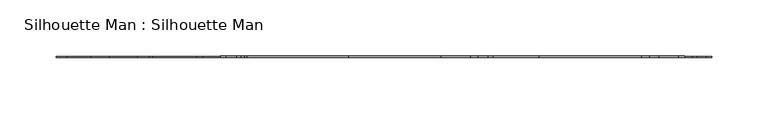
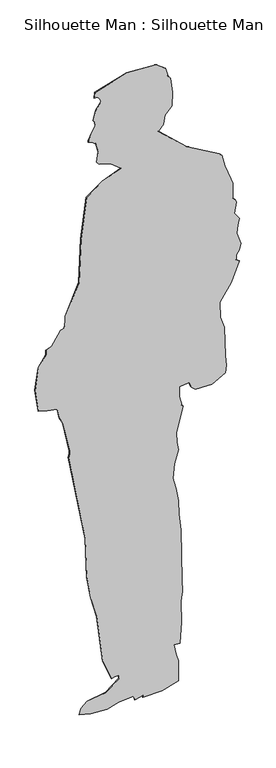
"""IFC4 building model written with IfcOpenShell, lengths in millimetres: proxy geometry, Silhouette Man : Silhouette Man."""

from ifc_helpers import new_model, si_unit, frame, origin, place, context, project, spatial, polyline, outline, extrude, source, transform, mapped, element, save


def silhouette_man_silhouette_man_dbd9fdd3(model_context):
    return source(origin(), model_context, "Body", "SweptSolid", [
        extrude(outline(polyline([(1175.2362338, -206.0139024), (1172.6480433, -215.6731607), (1134.0275282, -240.7183074), (1128.1401565, -256.8937283), (1114.4585755, -256.8937283), (1083.1121124, -278.8427581), (1018.7446879, -287.8890097), (954.3772634, -278.8427581), (946.8486191, -254.2176722), (941.265023, -225.4925601), (913.4994482, -219.5908049), (894.0548796, -209.6833024), (806.0215955, -190.9712502), (796.0215955, -190.9712502), (786.3623373, -193.5594407), (528.1005021, -146.4405427), (413.170557, -142.4271006), (347.4296234, -130.8352003), (285.8112575, -114.3246089), (146.8547963, -97.2629008), (86.5878457, -72.9134722), (89.5115628, -63.3504247), (89.5115628, -51.3019179), (79.5115628, -51.3019179), (50.9733025, -89.1734685), (42.8334596, -140.5664139), (28.1687231, -157.4362634), (10.2725072, -163.2510964), (2.4256592, -131.779108), (0.0, -85.4947729), (8.656327, -52.4327925), (13.07045, -10.4352169), (6.3102058, -8.3684028), (0.0, -6.4391793), (6.8732157, 16.0420963), (0.1995889, 16.0420963), (0.1995889, 69.8353458), (14.4535974, 116.4581069), (43.8214277, 115.9454895), (73.8031525, 116.9924744), (97.4411169, 108.8532705), (125.253917, 103.9491235), (125.253917, 119.8962557), (185.0255989, 125.1256002), (248.6314214, 122.904436), (276.3178992, 127.2895432), (312.8595928, 126.0134792), (459.8419291, 122.6944928), (509.651664, 118.3367057), (549.6272971, 116.9407258), (588.8923844, 109.308366), (622.8527349, 100.8410997), (664.3951862, 104.4755932), (700.8220764, 116.3114073), (725.3627559, 111.5411824), (754.1971208, 110.0300374), (826.6415578, 129.4414657), (830.1770917, 125.9059318), (857.7006599, 119.5516154), (887.7006599, 119.5516154), (889.8011369, 131.4640126), (891.004818, 145.2221502), (875.0687452, 152.6532629), (865.4269311, 164.1439296), (862.9833387, 210.7704491), (884.2023418, 249.050544), (905.2970831, 251.6406525), (936.3249213, 248.9260684), (1021.2731416, 245.9596112), (1054.5601196, 235.1440164), (1099.5327068, 233.573539), (1148.0581178, 265.0863094), (1203.689149, 287.562705), (1209.4249134, 279.3711845), (1224.4249134, 279.3711845), (1236.7121941, 287.9748311), (1254.7963628, 292.8204695), (1271.4212734, 286.7694969), (1288.8976549, 280.4086142), (1310.6905196, 284.2512843), (1330.3866746, 287.7242478), (1341.4262958, 279.9942219), (1349.6178162, 274.2584575), (1365.8192738, 277.1152116), (1380.5913901, 279.7199343), (1389.9271944, 276.1362548), (1396.9982622, 269.065187), (1441.9982622, 269.065187), (1456.0019686, 263.6896677), (1500.5147633, 246.6028067), (1534.4751137, 238.1355404), (1541.5461815, 231.0644726), (1594.0461815, 140.1318052), (1669.0660012, 59.682898), (1684.9554315, 73.495369), (1710.1961181, 78.8604426), (1731.5158887, 97.3934364), (1771.4915218, 98.7894163), (1814.3166086, 94.2883183), (1824.4290366, 86.0994355), (1849.1738632, 79.4690792), (1868.3904442, 53.0197246), (1873.3376263, -28.8941944), (1846.5013143, -119.3004903), (1830.4384073, -120.9887699), (1830.4384073, -110.9887699), (1823.8300715, -105.4437178), (1814.558233, -101.6976518), (1792.2208484, -117.3384569), (1763.9847354, -123.8572772), (1758.2105211, -119.8141288), (1746.9342196, -118.0281381), (1729.6137115, -128.0281381), (1709.3157779, -137.49322), (1705.2392229, -137.49322), (1702.149053, -127.9826548), (1694.0066319, -117.177297), (1667.0378338, -109.9510293), (1637.2953105, -113.8730578), (1629.3089554, -107.8549076), (1618.4933606, -74.5679295), (1596.2450263, -45.0433927), (1575.5996324, -98.8264825), (1542.4998061, -142.7514355), (1424.2294629, -158.3472763), (1296.7192073, -163.9009577), (1209.9323888, -202.5409388), (1194.9323888, -202.5409388), (1175.2362338, -206.0139024)])), frame((0.0, -1.0, 0.0), z_axis=(0.0, 1.0, 0.0), x_axis=(0.0, 0.0, 1.0)), (0.0, 0.0, 1.0), 1.0),
    ])


if __name__ == "__main__":
    model = new_model("IFC4")
    model_context = context("Model", 3, world=origin())
    ifc_project = project(units=[si_unit("LENGTHUNIT", "METRE", prefix="MILLI")], contexts=[model_context])
    site = spatial("IfcSite", under=ifc_project)
    building = spatial("IfcBuilding", under=site)
    placement = place(None, origin())
    silhouette_man_silhouette_man_shape = silhouette_man_silhouette_man_dbd9fdd3(model_context)
    element("IfcBuildingElementProxy", 1, Name="Silhouette Man : Silhouette Man", ObjectType="Silhouette Man : Silhouette Man", at=placement, inside=building, context=model_context, shape_type="MappedRepresentation", body=[
        mapped(silhouette_man_silhouette_man_shape, transform((0.0, 0.0, 0.0), x_axis=(1.0, 0.0, 0.0), y_axis=(0.0, 1.0, 0.0), z_axis=(0.0, 0.0, 1.0))),
    ])
    save(model, "model.ifc")
